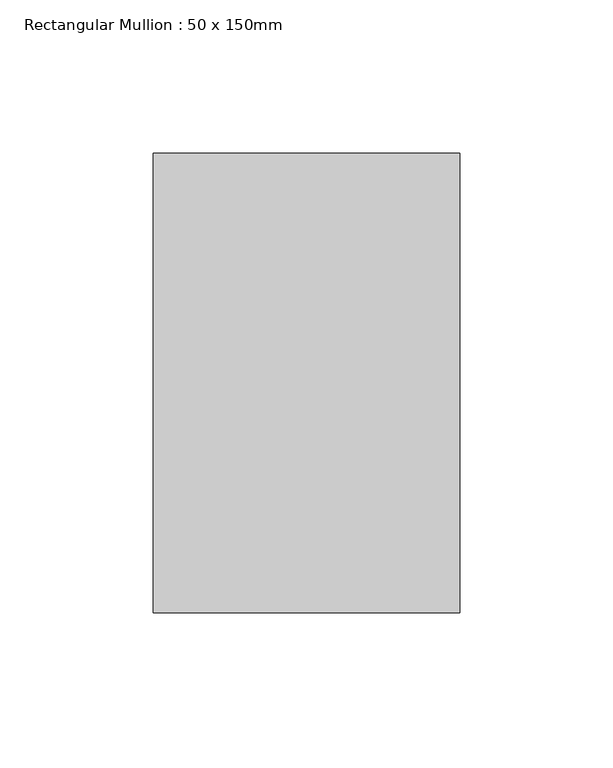
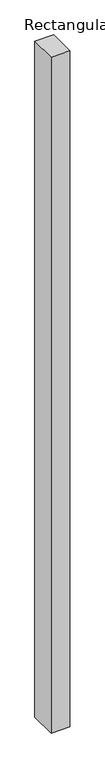
"""IFC4 building model written with IfcOpenShell, lengths in millimetres: member geometry, Rectangular Mullion : 50 x 150mm."""

from ifc_helpers import new_model, si_unit, frame, origin, place, context, project, spatial, polyline, outline, extrude, source, transform, mapped, element, save


def rectangular_mullion_50_x_150mm_21a52b47(model_context):
    return source(origin(), model_context, "Body", "SweptSolid", [
        extrude(outline(polyline([(0.0, 75.0), (0.0, -75.0), (-100.0, -75.0), (-100.0, 75.0), (0.0, 75.0)])), frame((0.0, 0.0, -3840.5528234), z_axis=(0.0, 0.0, 1.0), x_axis=(1.0, 0.0, 0.0)), (0.0, 0.0, 1.0), 3840.5528234),
    ])


if __name__ == "__main__":
    model = new_model("IFC4")
    model_context = context("Model", 3, world=origin())
    ifc_project = project(units=[si_unit("LENGTHUNIT", "METRE", prefix="MILLI")], contexts=[model_context])
    site = spatial("IfcSite", under=ifc_project)
    building = spatial("IfcBuilding", under=site)
    placement = place(None, origin())
    rectangular_mullion_50_x_150mm_shape = rectangular_mullion_50_x_150mm_21a52b47(model_context)
    element("IfcMember", 1, ObjectType="Rectangular Mullion : 50 x 150mm", at=placement, inside=building, context=model_context, shape_type="MappedRepresentation", body=[
        mapped(rectangular_mullion_50_x_150mm_shape, transform((0.0, 0.0, 0.0), x_axis=(1.0, 0.0, 0.0), y_axis=(0.0, 1.0, 0.0), z_axis=(0.0, 0.0, 1.0))),
    ])
    save(model, "model.ifc")
